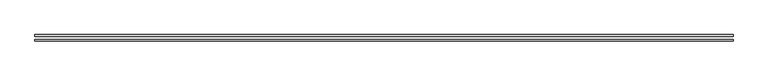
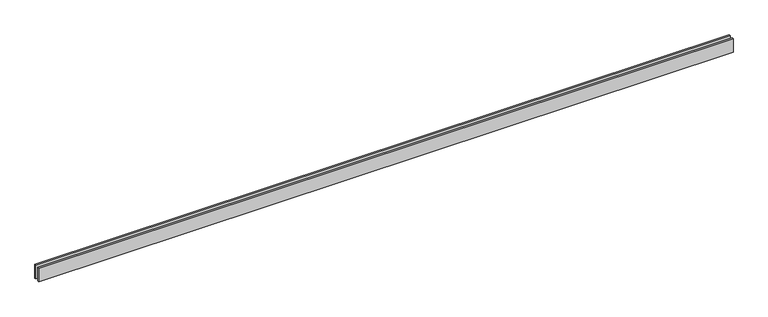
"""IFC4 building model written with IfcOpenShell, lengths in millimetres: proxy geometry."""

from ifc_helpers import new_model, si_unit, origin, origin_with_axes, place, context, project, spatial, polyline, outline, extrude, source, transform, mapped, element, save


def generic_models_9c2b336f(model_context):
    return source(origin(), model_context, "Body", "SweptSolid", [
        extrude(outline(polyline([(12080.0, 25.0), (0.0, 25.0), (0.0, 55.0), (12080.0, 55.0), (12080.0, 25.0)])), origin_with_axes(), (0.0, 0.0, 1.0), 250.0),
        extrude(outline(polyline([(12080.0, -55.0), (0.0, -55.0), (0.0, -25.0), (12080.0, -25.0), (12080.0, -55.0)])), origin_with_axes(), (0.0, 0.0, 1.0), 250.0),
    ])


if __name__ == "__main__":
    model = new_model("IFC4")
    model_context = context("Model", 3, world=origin())
    ifc_project = project(units=[si_unit("LENGTHUNIT", "METRE", prefix="MILLI")], contexts=[model_context])
    site = spatial("IfcSite", under=ifc_project)
    building = spatial("IfcBuilding", under=site)
    placement = place(None, origin())
    generic_models_shape = generic_models_9c2b336f(model_context)
    element("IfcBuildingElementProxy", 1, Name="Generic Models", at=placement, inside=building, context=model_context, shape_type="MappedRepresentation", body=[
        mapped(generic_models_shape, transform((0.0, 0.0, 0.0), x_axis=(1.0, 0.0, 0.0), y_axis=(0.0, 1.0, 0.0), z_axis=(0.0, 0.0, 1.0))),
    ])
    save(model, "model.ifc")
